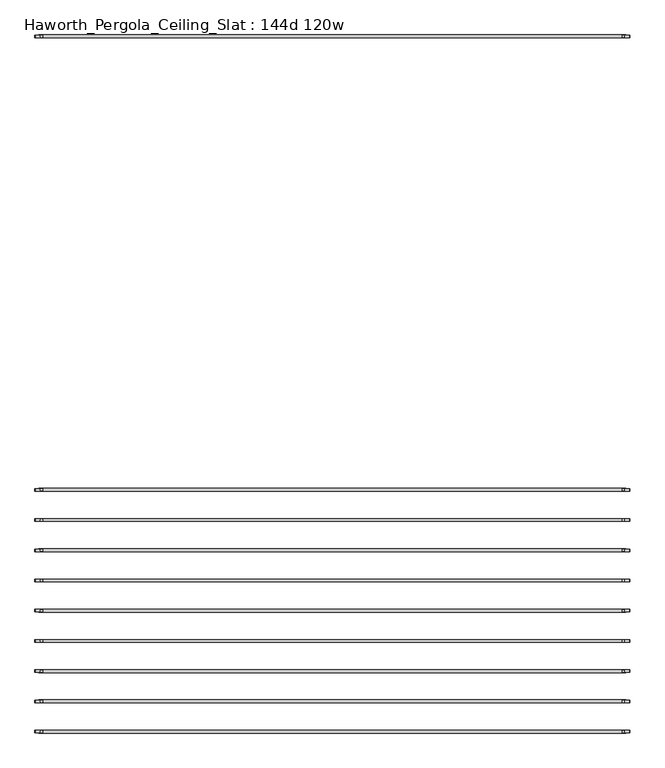
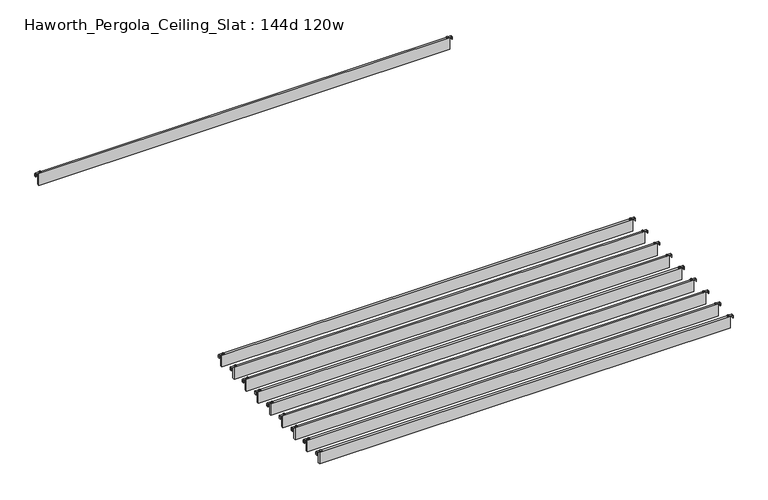
"""IFC4 building model written with IfcOpenShell, lengths in millimetres: furniture geometry, Haworth_Pergola_Ceiling_Slat : 144d 120w."""

from ifc_helpers import new_model, si_unit, point, frame, frame_2d, origin, place, context, project, spatial, polyline, circle_curve, trimmed, segment, composite_curve, outline, extrude, source, transform, mapped, element, save


def haworth_pergola_ceiling_slat_144d_120w_b1773a18(model_context):
    return source(origin(), model_context, "Body", "SweptSolid", [
        extrude(outline(composite_curve([segment(trimmed(circle_curve(frame_2d((1548.4, -1887.5678696)), 5.9838099), [point((1542.4161901, -1887.5678696))], [point((1554.3838099, -1887.5678696))], False, "CARTESIAN"), True, "CONTINUOUS"), segment(trimmed(circle_curve(frame_2d((1548.4, -1887.5678696)), 5.9838099), [point((1554.3838099, -1887.5678696))], [point((1542.4161901, -1887.5678696))], False, "CARTESIAN"), True, "CONTINUOUS")], self_intersect=False)), frame((0.0, 0.0, 2440.9329992), z_axis=(0.0, 0.0, 1.0), x_axis=(1.0, 0.0, 0.0)), (0.0, 0.0, 1.0), 3.4400008),
        extrude(outline(composite_curve([segment(trimmed(circle_curve(frame_2d((-1472.2, -1887.5678696)), 5.9838099), [point((-1466.2161901, -1887.5678696))], [point((-1478.1838099, -1887.5678696))], False, "CARTESIAN"), True, "CONTINUOUS"), segment(trimmed(circle_curve(frame_2d((-1472.2, -1887.5678696)), 5.9838099), [point((-1478.1838099, -1887.5678696))], [point((-1466.2161901, -1887.5678696))], False, "CARTESIAN"), True, "CONTINUOUS")], self_intersect=False)), frame((0.0, 0.0, 2440.9329992), z_axis=(0.0, 0.0, 1.0), x_axis=(1.0, 0.0, 0.0)), (0.0, 0.0, 1.0), 3.4400008),
        extrude(outline(composite_curve([segment(polyline([(2419.2231711, 1582.56), (2437.2499992, 1582.56)]), True, "CONTINUOUS"), segment(trimmed(circle_curve(frame_2d((2437.2499992, 1578.877)), 3.683), [point((2437.2499992, 1582.56))], [point((2440.9329992, 1578.877))], False, "CARTESIAN"), True, "CONTINUOUS"), segment(polyline([(2440.9329992, 1578.877), (2440.9329992, 1541.9), (2438.2729997, 1541.9), (2438.2729997, 1578.8905568)]), True, "CONTINUOUS"), segment(trimmed(circle_curve(frame_2d((2437.2635571, 1578.8905568)), 1.0094425), [point((2438.2729997, 1578.8905568))], [point((2437.2635571, 1579.8999993))], True, "CARTESIAN"), True, "CONTINUOUS"), segment(polyline([(2437.2635571, 1579.8999993), (2419.2231711, 1579.8999993), (2419.2231711, 1582.56)]), True, "CONTINUOUS")], self_intersect=False)), frame((0.0, -1894.0608699, 0.0), z_axis=(0.0, 1.0, 0.0), x_axis=(0.0, 0.0, 1.0)), (0.0, 0.0, 1.0), 13.0),
        extrude(outline(composite_curve([segment(polyline([(2419.2231711, -1506.36), (2419.2231711, -1503.6999993), (2437.2635571, -1503.6999993)]), True, "CONTINUOUS"), segment(trimmed(circle_curve(frame_2d((2437.2635571, -1502.6905568)), 1.0094425), [point((2437.2635571, -1503.6999993))], [point((2438.2729997, -1502.6905568))], True, "CARTESIAN"), True, "CONTINUOUS"), segment(polyline([(2438.2729997, -1502.6905568), (2438.2729997, -1465.7), (2440.9329992, -1465.7), (2440.9329992, -1502.677)]), True, "CONTINUOUS"), segment(trimmed(circle_curve(frame_2d((2437.2499992, -1502.677)), 3.683), [point((2440.9329992, -1502.677))], [point((2437.2499992, -1506.36))], False, "CARTESIAN"), True, "CONTINUOUS"), segment(polyline([(2437.2499992, -1506.36), (2419.2231711, -1506.36)]), True, "CONTINUOUS")], self_intersect=False)), frame((0.0, -1894.0608699, 0.0), z_axis=(0.0, 1.0, 0.0), x_axis=(0.0, 0.0, 1.0)), (0.0, 0.0, 1.0), 13.0),
        extrude(outline(polyline([(-1485.9, -1895.0608696), (-1485.9, -1880.0748696), (1562.1, -1880.0748696), (1562.1, -1895.0608696), (-1485.9, -1895.0608696)])), frame((0.0, 0.0, 2346.198), z_axis=(0.0, 0.0, 1.0), x_axis=(1.0, 0.0, 0.0)), (0.0, 0.0, 1.0), 92.202),
        extrude(outline(composite_curve([segment(trimmed(circle_curve(frame_2d((1548.4, -2044.3852609)), 5.9838099), [point((1542.4161901, -2044.3852609))], [point((1554.3838099, -2044.3852609))], False, "CARTESIAN"), True, "CONTINUOUS"), segment(trimmed(circle_curve(frame_2d((1548.4, -2044.3852609)), 5.9838099), [point((1554.3838099, -2044.3852609))], [point((1542.4161901, -2044.3852609))], False, "CARTESIAN"), True, "CONTINUOUS")], self_intersect=False)), frame((0.0, 0.0, 2440.9329992), z_axis=(0.0, 0.0, 1.0), x_axis=(1.0, 0.0, 0.0)), (0.0, 0.0, 1.0), 3.4400008),
        extrude(outline(composite_curve([segment(trimmed(circle_curve(frame_2d((-1472.2, -2044.3852609)), 5.9838099), [point((-1466.2161901, -2044.3852609))], [point((-1478.1838099, -2044.3852609))], False, "CARTESIAN"), True, "CONTINUOUS"), segment(trimmed(circle_curve(frame_2d((-1472.2, -2044.3852609)), 5.9838099), [point((-1478.1838099, -2044.3852609))], [point((-1466.2161901, -2044.3852609))], False, "CARTESIAN"), True, "CONTINUOUS")], self_intersect=False)), frame((0.0, 0.0, 2440.9329992), z_axis=(0.0, 0.0, 1.0), x_axis=(1.0, 0.0, 0.0)), (0.0, 0.0, 1.0), 3.4400008),
        extrude(outline(composite_curve([segment(polyline([(2419.2231711, 1582.56), (2437.2499992, 1582.56)]), True, "CONTINUOUS"), segment(trimmed(circle_curve(frame_2d((2437.2499992, 1578.877)), 3.683), [point((2437.2499992, 1582.56))], [point((2440.9329992, 1578.877))], False, "CARTESIAN"), True, "CONTINUOUS"), segment(polyline([(2440.9329992, 1578.877), (2440.9329992, 1541.9), (2438.2729997, 1541.9), (2438.2729997, 1578.8905568)]), True, "CONTINUOUS"), segment(trimmed(circle_curve(frame_2d((2437.2635571, 1578.8905568)), 1.0094425), [point((2438.2729997, 1578.8905568))], [point((2437.2635571, 1579.8999993))], True, "CARTESIAN"), True, "CONTINUOUS"), segment(polyline([(2437.2635571, 1579.8999993), (2419.2231711, 1579.8999993), (2419.2231711, 1582.56)]), True, "CONTINUOUS")], self_intersect=False)), frame((0.0, -2050.8782612, 0.0), z_axis=(0.0, 1.0, 0.0), x_axis=(0.0, 0.0, 1.0)), (0.0, 0.0, 1.0), 13.0),
        extrude(outline(composite_curve([segment(polyline([(2419.2231711, -1506.36), (2419.2231711, -1503.6999993), (2437.2635571, -1503.6999993)]), True, "CONTINUOUS"), segment(trimmed(circle_curve(frame_2d((2437.2635571, -1502.6905568)), 1.0094425), [point((2437.2635571, -1503.6999993))], [point((2438.2729997, -1502.6905568))], True, "CARTESIAN"), True, "CONTINUOUS"), segment(polyline([(2438.2729997, -1502.6905568), (2438.2729997, -1465.7), (2440.9329992, -1465.7), (2440.9329992, -1502.677)]), True, "CONTINUOUS"), segment(trimmed(circle_curve(frame_2d((2437.2499992, -1502.677)), 3.683), [point((2440.9329992, -1502.677))], [point((2437.2499992, -1506.36))], False, "CARTESIAN"), True, "CONTINUOUS"), segment(polyline([(2437.2499992, -1506.36), (2419.2231711, -1506.36)]), True, "CONTINUOUS")], self_intersect=False)), frame((0.0, -2050.8782612, 0.0), z_axis=(0.0, 1.0, 0.0), x_axis=(0.0, 0.0, 1.0)), (0.0, 0.0, 1.0), 13.0),
        extrude(outline(polyline([(-1485.9, -2051.8782609), (-1485.9, -2036.8922609), (1562.1, -2036.8922609), (1562.1, -2051.8782609), (-1485.9, -2051.8782609)])), frame((0.0, 0.0, 2346.198), z_axis=(0.0, 0.0, 1.0), x_axis=(1.0, 0.0, 0.0)), (0.0, 0.0, 1.0), 92.202),
        extrude(outline(composite_curve([segment(trimmed(circle_curve(frame_2d((1548.4, -2201.2026522)), 5.9838099), [point((1542.4161901, -2201.2026522))], [point((1554.3838099, -2201.2026522))], False, "CARTESIAN"), True, "CONTINUOUS"), segment(trimmed(circle_curve(frame_2d((1548.4, -2201.2026522)), 5.9838099), [point((1554.3838099, -2201.2026522))], [point((1542.4161901, -2201.2026522))], False, "CARTESIAN"), True, "CONTINUOUS")], self_intersect=False)), frame((0.0, 0.0, 2440.9329992), z_axis=(0.0, 0.0, 1.0), x_axis=(1.0, 0.0, 0.0)), (0.0, 0.0, 1.0), 3.4400008),
        extrude(outline(composite_curve([segment(trimmed(circle_curve(frame_2d((-1472.2, -2201.2026522)), 5.9838099), [point((-1466.2161901, -2201.2026522))], [point((-1478.1838099, -2201.2026522))], False, "CARTESIAN"), True, "CONTINUOUS"), segment(trimmed(circle_curve(frame_2d((-1472.2, -2201.2026522)), 5.9838099), [point((-1478.1838099, -2201.2026522))], [point((-1466.2161901, -2201.2026522))], False, "CARTESIAN"), True, "CONTINUOUS")], self_intersect=False)), frame((0.0, 0.0, 2440.9329992), z_axis=(0.0, 0.0, 1.0), x_axis=(1.0, 0.0, 0.0)), (0.0, 0.0, 1.0), 3.4400008),
        extrude(outline(composite_curve([segment(polyline([(2419.2231711, 1582.56), (2437.2499992, 1582.56)]), True, "CONTINUOUS"), segment(trimmed(circle_curve(frame_2d((2437.2499992, 1578.877)), 3.683), [point((2437.2499992, 1582.56))], [point((2440.9329992, 1578.877))], False, "CARTESIAN"), True, "CONTINUOUS"), segment(polyline([(2440.9329992, 1578.877), (2440.9329992, 1541.9), (2438.2729997, 1541.9), (2438.2729997, 1578.8905568)]), True, "CONTINUOUS"), segment(trimmed(circle_curve(frame_2d((2437.2635571, 1578.8905568)), 1.0094425), [point((2438.2729997, 1578.8905568))], [point((2437.2635571, 1579.8999993))], True, "CARTESIAN"), True, "CONTINUOUS"), segment(polyline([(2437.2635571, 1579.8999993), (2419.2231711, 1579.8999993), (2419.2231711, 1582.56)]), True, "CONTINUOUS")], self_intersect=False)), frame((0.0, -2207.6956525, 0.0), z_axis=(0.0, 1.0, 0.0), x_axis=(0.0, 0.0, 1.0)), (0.0, 0.0, 1.0), 13.0),
        extrude(outline(composite_curve([segment(polyline([(2419.2231711, -1506.36), (2419.2231711, -1503.6999993), (2437.2635571, -1503.6999993)]), True, "CONTINUOUS"), segment(trimmed(circle_curve(frame_2d((2437.2635571, -1502.6905568)), 1.0094425), [point((2437.2635571, -1503.6999993))], [point((2438.2729997, -1502.6905568))], True, "CARTESIAN"), True, "CONTINUOUS"), segment(polyline([(2438.2729997, -1502.6905568), (2438.2729997, -1465.7), (2440.9329992, -1465.7), (2440.9329992, -1502.677)]), True, "CONTINUOUS"), segment(trimmed(circle_curve(frame_2d((2437.2499992, -1502.677)), 3.683), [point((2440.9329992, -1502.677))], [point((2437.2499992, -1506.36))], False, "CARTESIAN"), True, "CONTINUOUS"), segment(polyline([(2437.2499992, -1506.36), (2419.2231711, -1506.36)]), True, "CONTINUOUS")], self_intersect=False)), frame((0.0, -2207.6956525, 0.0), z_axis=(0.0, 1.0, 0.0), x_axis=(0.0, 0.0, 1.0)), (0.0, 0.0, 1.0), 13.0),
        extrude(outline(polyline([(-1485.9, -2208.6956522), (-1485.9, -2193.7096522), (1562.1, -2193.7096522), (1562.1, -2208.6956522), (-1485.9, -2208.6956522)])), frame((0.0, 0.0, 2346.198), z_axis=(0.0, 0.0, 1.0), x_axis=(1.0, 0.0, 0.0)), (0.0, 0.0, 1.0), 92.202),
        extrude(outline(composite_curve([segment(trimmed(circle_curve(frame_2d((1548.4, -2358.0200435)), 5.9838099), [point((1542.4161901, -2358.0200435))], [point((1554.3838099, -2358.0200435))], False, "CARTESIAN"), True, "CONTINUOUS"), segment(trimmed(circle_curve(frame_2d((1548.4, -2358.0200435)), 5.9838099), [point((1554.3838099, -2358.0200435))], [point((1542.4161901, -2358.0200435))], False, "CARTESIAN"), True, "CONTINUOUS")], self_intersect=False)), frame((0.0, 0.0, 2440.9329992), z_axis=(0.0, 0.0, 1.0), x_axis=(1.0, 0.0, 0.0)), (0.0, 0.0, 1.0), 3.4400008),
        extrude(outline(composite_curve([segment(trimmed(circle_curve(frame_2d((-1472.2, -2358.0200435)), 5.9838099), [point((-1466.2161901, -2358.0200435))], [point((-1478.1838099, -2358.0200435))], False, "CARTESIAN"), True, "CONTINUOUS"), segment(trimmed(circle_curve(frame_2d((-1472.2, -2358.0200435)), 5.9838099), [point((-1478.1838099, -2358.0200435))], [point((-1466.2161901, -2358.0200435))], False, "CARTESIAN"), True, "CONTINUOUS")], self_intersect=False)), frame((0.0, 0.0, 2440.9329992), z_axis=(0.0, 0.0, 1.0), x_axis=(1.0, 0.0, 0.0)), (0.0, 0.0, 1.0), 3.4400008),
        extrude(outline(composite_curve([segment(polyline([(2419.2231711, 1582.56), (2437.2499992, 1582.56)]), True, "CONTINUOUS"), segment(trimmed(circle_curve(frame_2d((2437.2499992, 1578.877)), 3.683), [point((2437.2499992, 1582.56))], [point((2440.9329992, 1578.877))], False, "CARTESIAN"), True, "CONTINUOUS"), segment(polyline([(2440.9329992, 1578.877), (2440.9329992, 1541.9), (2438.2729997, 1541.9), (2438.2729997, 1578.8905568)]), True, "CONTINUOUS"), segment(trimmed(circle_curve(frame_2d((2437.2635571, 1578.8905568)), 1.0094425), [point((2438.2729997, 1578.8905568))], [point((2437.2635571, 1579.8999993))], True, "CARTESIAN"), True, "CONTINUOUS"), segment(polyline([(2437.2635571, 1579.8999993), (2419.2231711, 1579.8999993), (2419.2231711, 1582.56)]), True, "CONTINUOUS")], self_intersect=False)), frame((0.0, -2364.5130438, 0.0), z_axis=(0.0, 1.0, 0.0), x_axis=(0.0, 0.0, 1.0)), (0.0, 0.0, 1.0), 13.0),
        extrude(outline(composite_curve([segment(polyline([(2419.2231711, -1506.36), (2419.2231711, -1503.6999993), (2437.2635571, -1503.6999993)]), True, "CONTINUOUS"), segment(trimmed(circle_curve(frame_2d((2437.2635571, -1502.6905568)), 1.0094425), [point((2437.2635571, -1503.6999993))], [point((2438.2729997, -1502.6905568))], True, "CARTESIAN"), True, "CONTINUOUS"), segment(polyline([(2438.2729997, -1502.6905568), (2438.2729997, -1465.7), (2440.9329992, -1465.7), (2440.9329992, -1502.677)]), True, "CONTINUOUS"), segment(trimmed(circle_curve(frame_2d((2437.2499992, -1502.677)), 3.683), [point((2440.9329992, -1502.677))], [point((2437.2499992, -1506.36))], False, "CARTESIAN"), True, "CONTINUOUS"), segment(polyline([(2437.2499992, -1506.36), (2419.2231711, -1506.36)]), True, "CONTINUOUS")], self_intersect=False)), frame((0.0, -2364.5130438, 0.0), z_axis=(0.0, 1.0, 0.0), x_axis=(0.0, 0.0, 1.0)), (0.0, 0.0, 1.0), 13.0),
        extrude(outline(polyline([(-1485.9, -2365.5130435), (-1485.9, -2350.5270435), (1562.1, -2350.5270435), (1562.1, -2365.5130435), (-1485.9, -2365.5130435)])), frame((0.0, 0.0, 2346.198), z_axis=(0.0, 0.0, 1.0), x_axis=(1.0, 0.0, 0.0)), (0.0, 0.0, 1.0), 92.202),
        extrude(outline(composite_curve([segment(trimmed(circle_curve(frame_2d((1548.4, -2514.8374348)), 5.9838099), [point((1542.4161901, -2514.8374348))], [point((1554.3838099, -2514.8374348))], False, "CARTESIAN"), True, "CONTINUOUS"), segment(trimmed(circle_curve(frame_2d((1548.4, -2514.8374348)), 5.9838099), [point((1554.3838099, -2514.8374348))], [point((1542.4161901, -2514.8374348))], False, "CARTESIAN"), True, "CONTINUOUS")], self_intersect=False)), frame((0.0, 0.0, 2440.9329992), z_axis=(0.0, 0.0, 1.0), x_axis=(1.0, 0.0, 0.0)), (0.0, 0.0, 1.0), 3.4400008),
        extrude(outline(composite_curve([segment(trimmed(circle_curve(frame_2d((-1472.2, -2514.8374348)), 5.9838099), [point((-1466.2161901, -2514.8374348))], [point((-1478.1838099, -2514.8374348))], False, "CARTESIAN"), True, "CONTINUOUS"), segment(trimmed(circle_curve(frame_2d((-1472.2, -2514.8374348)), 5.9838099), [point((-1478.1838099, -2514.8374348))], [point((-1466.2161901, -2514.8374348))], False, "CARTESIAN"), True, "CONTINUOUS")], self_intersect=False)), frame((0.0, 0.0, 2440.9329992), z_axis=(0.0, 0.0, 1.0), x_axis=(1.0, 0.0, 0.0)), (0.0, 0.0, 1.0), 3.4400008),
        extrude(outline(composite_curve([segment(polyline([(2419.2231711, 1582.56), (2437.2499992, 1582.56)]), True, "CONTINUOUS"), segment(trimmed(circle_curve(frame_2d((2437.2499992, 1578.877)), 3.683), [point((2437.2499992, 1582.56))], [point((2440.9329992, 1578.877))], False, "CARTESIAN"), True, "CONTINUOUS"), segment(polyline([(2440.9329992, 1578.877), (2440.9329992, 1541.9), (2438.2729997, 1541.9), (2438.2729997, 1578.8905568)]), True, "CONTINUOUS"), segment(trimmed(circle_curve(frame_2d((2437.2635571, 1578.8905568)), 1.0094425), [point((2438.2729997, 1578.8905568))], [point((2437.2635571, 1579.8999993))], True, "CARTESIAN"), True, "CONTINUOUS"), segment(polyline([(2437.2635571, 1579.8999993), (2419.2231711, 1579.8999993), (2419.2231711, 1582.56)]), True, "CONTINUOUS")], self_intersect=False)), frame((0.0, -2521.3304351, 0.0), z_axis=(0.0, 1.0, 0.0), x_axis=(0.0, 0.0, 1.0)), (0.0, 0.0, 1.0), 13.0),
        extrude(outline(composite_curve([segment(polyline([(2419.2231711, -1506.36), (2419.2231711, -1503.6999993), (2437.2635571, -1503.6999993)]), True, "CONTINUOUS"), segment(trimmed(circle_curve(frame_2d((2437.2635571, -1502.6905568)), 1.0094425), [point((2437.2635571, -1503.6999993))], [point((2438.2729997, -1502.6905568))], True, "CARTESIAN"), True, "CONTINUOUS"), segment(polyline([(2438.2729997, -1502.6905568), (2438.2729997, -1465.7), (2440.9329992, -1465.7), (2440.9329992, -1502.677)]), True, "CONTINUOUS"), segment(trimmed(circle_curve(frame_2d((2437.2499992, -1502.677)), 3.683), [point((2440.9329992, -1502.677))], [point((2437.2499992, -1506.36))], False, "CARTESIAN"), True, "CONTINUOUS"), segment(polyline([(2437.2499992, -1506.36), (2419.2231711, -1506.36)]), True, "CONTINUOUS")], self_intersect=False)), frame((0.0, -2521.3304351, 0.0), z_axis=(0.0, 1.0, 0.0), x_axis=(0.0, 0.0, 1.0)), (0.0, 0.0, 1.0), 13.0),
        extrude(outline(polyline([(-1485.9, -2522.3304348), (-1485.9, -2507.3444348), (1562.1, -2507.3444348), (1562.1, -2522.3304348), (-1485.9, -2522.3304348)])), frame((0.0, 0.0, 2346.198), z_axis=(0.0, 0.0, 1.0), x_axis=(1.0, 0.0, 0.0)), (0.0, 0.0, 1.0), 92.202),
        extrude(outline(composite_curve([segment(trimmed(circle_curve(frame_2d((1548.4, -2671.6548261)), 5.9838099), [point((1542.4161901, -2671.6548261))], [point((1554.3838099, -2671.6548261))], False, "CARTESIAN"), True, "CONTINUOUS"), segment(trimmed(circle_curve(frame_2d((1548.4, -2671.6548261)), 5.9838099), [point((1554.3838099, -2671.6548261))], [point((1542.4161901, -2671.6548261))], False, "CARTESIAN"), True, "CONTINUOUS")], self_intersect=False)), frame((0.0, 0.0, 2440.9329992), z_axis=(0.0, 0.0, 1.0), x_axis=(1.0, 0.0, 0.0)), (0.0, 0.0, 1.0), 3.4400008),
        extrude(outline(composite_curve([segment(trimmed(circle_curve(frame_2d((-1472.2, -2671.6548261)), 5.9838099), [point((-1466.2161901, -2671.6548261))], [point((-1478.1838099, -2671.6548261))], False, "CARTESIAN"), True, "CONTINUOUS"), segment(trimmed(circle_curve(frame_2d((-1472.2, -2671.6548261)), 5.9838099), [point((-1478.1838099, -2671.6548261))], [point((-1466.2161901, -2671.6548261))], False, "CARTESIAN"), True, "CONTINUOUS")], self_intersect=False)), frame((0.0, 0.0, 2440.9329992), z_axis=(0.0, 0.0, 1.0), x_axis=(1.0, 0.0, 0.0)), (0.0, 0.0, 1.0), 3.4400008),
        extrude(outline(composite_curve([segment(polyline([(2419.2231711, 1582.56), (2437.2499992, 1582.56)]), True, "CONTINUOUS"), segment(trimmed(circle_curve(frame_2d((2437.2499992, 1578.877)), 3.683), [point((2437.2499992, 1582.56))], [point((2440.9329992, 1578.877))], False, "CARTESIAN"), True, "CONTINUOUS"), segment(polyline([(2440.9329992, 1578.877), (2440.9329992, 1541.9), (2438.2729997, 1541.9), (2438.2729997, 1578.8905568)]), True, "CONTINUOUS"), segment(trimmed(circle_curve(frame_2d((2437.2635571, 1578.8905568)), 1.0094425), [point((2438.2729997, 1578.8905568))], [point((2437.2635571, 1579.8999993))], True, "CARTESIAN"), True, "CONTINUOUS"), segment(polyline([(2437.2635571, 1579.8999993), (2419.2231711, 1579.8999993), (2419.2231711, 1582.56)]), True, "CONTINUOUS")], self_intersect=False)), frame((0.0, -2678.1478264, 0.0), z_axis=(0.0, 1.0, 0.0), x_axis=(0.0, 0.0, 1.0)), (0.0, 0.0, 1.0), 13.0),
        extrude(outline(composite_curve([segment(polyline([(2419.2231711, -1506.36), (2419.2231711, -1503.6999993), (2437.2635571, -1503.6999993)]), True, "CONTINUOUS"), segment(trimmed(circle_curve(frame_2d((2437.2635571, -1502.6905568)), 1.0094425), [point((2437.2635571, -1503.6999993))], [point((2438.2729997, -1502.6905568))], True, "CARTESIAN"), True, "CONTINUOUS"), segment(polyline([(2438.2729997, -1502.6905568), (2438.2729997, -1465.7), (2440.9329992, -1465.7), (2440.9329992, -1502.677)]), True, "CONTINUOUS"), segment(trimmed(circle_curve(frame_2d((2437.2499992, -1502.677)), 3.683), [point((2440.9329992, -1502.677))], [point((2437.2499992, -1506.36))], False, "CARTESIAN"), True, "CONTINUOUS"), segment(polyline([(2437.2499992, -1506.36), (2419.2231711, -1506.36)]), True, "CONTINUOUS")], self_intersect=False)), frame((0.0, -2678.1478264, 0.0), z_axis=(0.0, 1.0, 0.0), x_axis=(0.0, 0.0, 1.0)), (0.0, 0.0, 1.0), 13.0),
        extrude(outline(polyline([(-1485.9, -2679.1478261), (-1485.9, -2664.1618261), (1562.1, -2664.1618261), (1562.1, -2679.1478261), (-1485.9, -2679.1478261)])), frame((0.0, 0.0, 2346.198), z_axis=(0.0, 0.0, 1.0), x_axis=(1.0, 0.0, 0.0)), (0.0, 0.0, 1.0), 92.202),
        extrude(outline(composite_curve([segment(trimmed(circle_curve(frame_2d((1548.4, -2828.4722174)), 5.9838099), [point((1542.4161901, -2828.4722174))], [point((1554.3838099, -2828.4722174))], False, "CARTESIAN"), True, "CONTINUOUS"), segment(trimmed(circle_curve(frame_2d((1548.4, -2828.4722174)), 5.9838099), [point((1554.3838099, -2828.4722174))], [point((1542.4161901, -2828.4722174))], False, "CARTESIAN"), True, "CONTINUOUS")], self_intersect=False)), frame((0.0, 0.0, 2440.9329992), z_axis=(0.0, 0.0, 1.0), x_axis=(1.0, 0.0, 0.0)), (0.0, 0.0, 1.0), 3.4400008),
        extrude(outline(composite_curve([segment(trimmed(circle_curve(frame_2d((-1472.2, -2828.4722174)), 5.9838099), [point((-1466.2161901, -2828.4722174))], [point((-1478.1838099, -2828.4722174))], False, "CARTESIAN"), True, "CONTINUOUS"), segment(trimmed(circle_curve(frame_2d((-1472.2, -2828.4722174)), 5.9838099), [point((-1478.1838099, -2828.4722174))], [point((-1466.2161901, -2828.4722174))], False, "CARTESIAN"), True, "CONTINUOUS")], self_intersect=False)), frame((0.0, 0.0, 2440.9329992), z_axis=(0.0, 0.0, 1.0), x_axis=(1.0, 0.0, 0.0)), (0.0, 0.0, 1.0), 3.4400008),
        extrude(outline(composite_curve([segment(polyline([(2419.2231711, 1582.56), (2437.2499992, 1582.56)]), True, "CONTINUOUS"), segment(trimmed(circle_curve(frame_2d((2437.2499992, 1578.877)), 3.683), [point((2437.2499992, 1582.56))], [point((2440.9329992, 1578.877))], False, "CARTESIAN"), True, "CONTINUOUS"), segment(polyline([(2440.9329992, 1578.877), (2440.9329992, 1541.9), (2438.2729997, 1541.9), (2438.2729997, 1578.8905568)]), True, "CONTINUOUS"), segment(trimmed(circle_curve(frame_2d((2437.2635571, 1578.8905568)), 1.0094425), [point((2438.2729997, 1578.8905568))], [point((2437.2635571, 1579.8999993))], True, "CARTESIAN"), True, "CONTINUOUS"), segment(polyline([(2437.2635571, 1579.8999993), (2419.2231711, 1579.8999993), (2419.2231711, 1582.56)]), True, "CONTINUOUS")], self_intersect=False)), frame((0.0, -2834.9652177, 0.0), z_axis=(0.0, 1.0, 0.0), x_axis=(0.0, 0.0, 1.0)), (0.0, 0.0, 1.0), 13.0),
        extrude(outline(composite_curve([segment(polyline([(2419.2231711, -1506.36), (2419.2231711, -1503.6999993), (2437.2635571, -1503.6999993)]), True, "CONTINUOUS"), segment(trimmed(circle_curve(frame_2d((2437.2635571, -1502.6905568)), 1.0094425), [point((2437.2635571, -1503.6999993))], [point((2438.2729997, -1502.6905568))], True, "CARTESIAN"), True, "CONTINUOUS"), segment(polyline([(2438.2729997, -1502.6905568), (2438.2729997, -1465.7), (2440.9329992, -1465.7), (2440.9329992, -1502.677)]), True, "CONTINUOUS"), segment(trimmed(circle_curve(frame_2d((2437.2499992, -1502.677)), 3.683), [point((2440.9329992, -1502.677))], [point((2437.2499992, -1506.36))], False, "CARTESIAN"), True, "CONTINUOUS"), segment(polyline([(2437.2499992, -1506.36), (2419.2231711, -1506.36)]), True, "CONTINUOUS")], self_intersect=False)), frame((0.0, -2834.9652177, 0.0), z_axis=(0.0, 1.0, 0.0), x_axis=(0.0, 0.0, 1.0)), (0.0, 0.0, 1.0), 13.0),
        extrude(outline(polyline([(-1485.9, -2835.9652174), (-1485.9, -2820.9792174), (1562.1, -2820.9792174), (1562.1, -2835.9652174), (-1485.9, -2835.9652174)])), frame((0.0, 0.0, 2346.198), z_axis=(0.0, 0.0, 1.0), x_axis=(1.0, 0.0, 0.0)), (0.0, 0.0, 1.0), 92.202),
        extrude(outline(composite_curve([segment(trimmed(circle_curve(frame_2d((1548.4, -2985.2896087)), 5.9838099), [point((1542.4161901, -2985.2896087))], [point((1554.3838099, -2985.2896087))], False, "CARTESIAN"), True, "CONTINUOUS"), segment(trimmed(circle_curve(frame_2d((1548.4, -2985.2896087)), 5.9838099), [point((1554.3838099, -2985.2896087))], [point((1542.4161901, -2985.2896087))], False, "CARTESIAN"), True, "CONTINUOUS")], self_intersect=False)), frame((0.0, 0.0, 2440.9329992), z_axis=(0.0, 0.0, 1.0), x_axis=(1.0, 0.0, 0.0)), (0.0, 0.0, 1.0), 3.4400008),
        extrude(outline(composite_curve([segment(trimmed(circle_curve(frame_2d((-1472.2, -2985.2896087)), 5.9838099), [point((-1466.2161901, -2985.2896087))], [point((-1478.1838099, -2985.2896087))], False, "CARTESIAN"), True, "CONTINUOUS"), segment(trimmed(circle_curve(frame_2d((-1472.2, -2985.2896087)), 5.9838099), [point((-1478.1838099, -2985.2896087))], [point((-1466.2161901, -2985.2896087))], False, "CARTESIAN"), True, "CONTINUOUS")], self_intersect=False)), frame((0.0, 0.0, 2440.9329992), z_axis=(0.0, 0.0, 1.0), x_axis=(1.0, 0.0, 0.0)), (0.0, 0.0, 1.0), 3.4400008),
        extrude(outline(composite_curve([segment(polyline([(2419.2231711, 1582.56), (2437.2499992, 1582.56)]), True, "CONTINUOUS"), segment(trimmed(circle_curve(frame_2d((2437.2499992, 1578.877)), 3.683), [point((2437.2499992, 1582.56))], [point((2440.9329992, 1578.877))], False, "CARTESIAN"), True, "CONTINUOUS"), segment(polyline([(2440.9329992, 1578.877), (2440.9329992, 1541.9), (2438.2729997, 1541.9), (2438.2729997, 1578.8905568)]), True, "CONTINUOUS"), segment(trimmed(circle_curve(frame_2d((2437.2635571, 1578.8905568)), 1.0094425), [point((2438.2729997, 1578.8905568))], [point((2437.2635571, 1579.8999993))], True, "CARTESIAN"), True, "CONTINUOUS"), segment(polyline([(2437.2635571, 1579.8999993), (2419.2231711, 1579.8999993), (2419.2231711, 1582.56)]), True, "CONTINUOUS")], self_intersect=False)), frame((0.0, -2991.782609, 0.0), z_axis=(0.0, 1.0, 0.0), x_axis=(0.0, 0.0, 1.0)), (0.0, 0.0, 1.0), 13.0),
        extrude(outline(composite_curve([segment(polyline([(2419.2231711, -1506.36), (2419.2231711, -1503.6999993), (2437.2635571, -1503.6999993)]), True, "CONTINUOUS"), segment(trimmed(circle_curve(frame_2d((2437.2635571, -1502.6905568)), 1.0094425), [point((2437.2635571, -1503.6999993))], [point((2438.2729997, -1502.6905568))], True, "CARTESIAN"), True, "CONTINUOUS"), segment(polyline([(2438.2729997, -1502.6905568), (2438.2729997, -1465.7), (2440.9329992, -1465.7), (2440.9329992, -1502.677)]), True, "CONTINUOUS"), segment(trimmed(circle_curve(frame_2d((2437.2499992, -1502.677)), 3.683), [point((2440.9329992, -1502.677))], [point((2437.2499992, -1506.36))], False, "CARTESIAN"), True, "CONTINUOUS"), segment(polyline([(2437.2499992, -1506.36), (2419.2231711, -1506.36)]), True, "CONTINUOUS")], self_intersect=False)), frame((0.0, -2991.782609, 0.0), z_axis=(0.0, 1.0, 0.0), x_axis=(0.0, 0.0, 1.0)), (0.0, 0.0, 1.0), 13.0),
        extrude(outline(polyline([(-1485.9, -2992.7826087), (-1485.9, -2977.7966087), (1562.1, -2977.7966087), (1562.1, -2992.7826087), (-1485.9, -2992.7826087)])), frame((0.0, 0.0, 2346.198), z_axis=(0.0, 0.0, 1.0), x_axis=(1.0, 0.0, 0.0)), (0.0, 0.0, 1.0), 92.202),
        extrude(outline(composite_curve([segment(trimmed(circle_curve(frame_2d((1548.4, 464.693)), 5.9838099), [point((1542.4161901, 464.693))], [point((1554.3838099, 464.693))], False, "CARTESIAN"), True, "CONTINUOUS"), segment(trimmed(circle_curve(frame_2d((1548.4, 464.693)), 5.9838099), [point((1554.3838099, 464.693))], [point((1542.4161901, 464.693))], False, "CARTESIAN"), True, "CONTINUOUS")], self_intersect=False)), frame((0.0, 0.0, 2440.9329992), z_axis=(0.0, 0.0, 1.0), x_axis=(1.0, 0.0, 0.0)), (0.0, 0.0, 1.0), 3.4400008),
        extrude(outline(composite_curve([segment(trimmed(circle_curve(frame_2d((-1472.2, 464.693)), 5.9838099), [point((-1466.2161901, 464.693))], [point((-1478.1838099, 464.693))], False, "CARTESIAN"), True, "CONTINUOUS"), segment(trimmed(circle_curve(frame_2d((-1472.2, 464.693)), 5.9838099), [point((-1478.1838099, 464.693))], [point((-1466.2161901, 464.693))], False, "CARTESIAN"), True, "CONTINUOUS")], self_intersect=False)), frame((0.0, 0.0, 2440.9329992), z_axis=(0.0, 0.0, 1.0), x_axis=(1.0, 0.0, 0.0)), (0.0, 0.0, 1.0), 3.4400008),
        extrude(outline(composite_curve([segment(polyline([(2419.2231711, 1582.56), (2437.2499992, 1582.56)]), True, "CONTINUOUS"), segment(trimmed(circle_curve(frame_2d((2437.2499992, 1578.877)), 3.683), [point((2437.2499992, 1582.56))], [point((2440.9329992, 1578.877))], False, "CARTESIAN"), True, "CONTINUOUS"), segment(polyline([(2440.9329992, 1578.877), (2440.9329992, 1541.9), (2438.2729997, 1541.9), (2438.2729997, 1578.8905568)]), True, "CONTINUOUS"), segment(trimmed(circle_curve(frame_2d((2437.2635571, 1578.8905568)), 1.0094425), [point((2438.2729997, 1578.8905568))], [point((2437.2635571, 1579.8999993))], True, "CARTESIAN"), True, "CONTINUOUS"), segment(polyline([(2437.2635571, 1579.8999993), (2419.2231711, 1579.8999993), (2419.2231711, 1582.56)]), True, "CONTINUOUS")], self_intersect=False)), frame((0.0, 458.1999997, 0.0), z_axis=(0.0, 1.0, 0.0), x_axis=(0.0, 0.0, 1.0)), (0.0, 0.0, 1.0), 13.0),
        extrude(outline(composite_curve([segment(polyline([(2419.2231711, -1506.36), (2419.2231711, -1503.6999993), (2437.2635571, -1503.6999993)]), True, "CONTINUOUS"), segment(trimmed(circle_curve(frame_2d((2437.2635571, -1502.6905568)), 1.0094425), [point((2437.2635571, -1503.6999993))], [point((2438.2729997, -1502.6905568))], True, "CARTESIAN"), True, "CONTINUOUS"), segment(polyline([(2438.2729997, -1502.6905568), (2438.2729997, -1465.7), (2440.9329992, -1465.7), (2440.9329992, -1502.677)]), True, "CONTINUOUS"), segment(trimmed(circle_curve(frame_2d((2437.2499992, -1502.677)), 3.683), [point((2440.9329992, -1502.677))], [point((2437.2499992, -1506.36))], False, "CARTESIAN"), True, "CONTINUOUS"), segment(polyline([(2437.2499992, -1506.36), (2419.2231711, -1506.36)]), True, "CONTINUOUS")], self_intersect=False)), frame((0.0, 458.1999997, 0.0), z_axis=(0.0, 1.0, 0.0), x_axis=(0.0, 0.0, 1.0)), (0.0, 0.0, 1.0), 13.0),
        extrude(outline(polyline([(-1485.9, 457.2), (-1485.9, 472.186), (1562.1, 472.186), (1562.1, 457.2), (-1485.9, 457.2)])), frame((0.0, 0.0, 2346.198), z_axis=(0.0, 0.0, 1.0), x_axis=(1.0, 0.0, 0.0)), (0.0, 0.0, 1.0), 92.202),
        extrude(outline(composite_curve([segment(trimmed(circle_curve(frame_2d((1548.4, -3142.107)), 5.9838099), [point((1542.4161901, -3142.107))], [point((1554.3838099, -3142.107))], False, "CARTESIAN"), True, "CONTINUOUS"), segment(trimmed(circle_curve(frame_2d((1548.4, -3142.107)), 5.9838099), [point((1554.3838099, -3142.107))], [point((1542.4161901, -3142.107))], False, "CARTESIAN"), True, "CONTINUOUS")], self_intersect=False)), frame((0.0, 0.0, 2440.9329992), z_axis=(0.0, 0.0, 1.0), x_axis=(1.0, 0.0, 0.0)), (0.0, 0.0, 1.0), 3.4400008),
        extrude(outline(composite_curve([segment(trimmed(circle_curve(frame_2d((-1472.2, -3142.107)), 5.9838099), [point((-1466.2161901, -3142.107))], [point((-1478.1838099, -3142.107))], False, "CARTESIAN"), True, "CONTINUOUS"), segment(trimmed(circle_curve(frame_2d((-1472.2, -3142.107)), 5.9838099), [point((-1478.1838099, -3142.107))], [point((-1466.2161901, -3142.107))], False, "CARTESIAN"), True, "CONTINUOUS")], self_intersect=False)), frame((0.0, 0.0, 2440.9329992), z_axis=(0.0, 0.0, 1.0), x_axis=(1.0, 0.0, 0.0)), (0.0, 0.0, 1.0), 3.4400008),
        extrude(outline(composite_curve([segment(polyline([(2419.2231711, 1582.56), (2437.2499992, 1582.56)]), True, "CONTINUOUS"), segment(trimmed(circle_curve(frame_2d((2437.2499992, 1578.877)), 3.683), [point((2437.2499992, 1582.56))], [point((2440.9329992, 1578.877))], False, "CARTESIAN"), True, "CONTINUOUS"), segment(polyline([(2440.9329992, 1578.877), (2440.9329992, 1541.9), (2438.2729997, 1541.9), (2438.2729997, 1578.8905568)]), True, "CONTINUOUS"), segment(trimmed(circle_curve(frame_2d((2437.2635571, 1578.8905568)), 1.0094425), [point((2438.2729997, 1578.8905568))], [point((2437.2635571, 1579.8999993))], True, "CARTESIAN"), True, "CONTINUOUS"), segment(polyline([(2437.2635571, 1579.8999993), (2419.2231711, 1579.8999993), (2419.2231711, 1582.56)]), True, "CONTINUOUS")], self_intersect=False)), frame((0.0, -3148.6000003, 0.0), z_axis=(0.0, 1.0, 0.0), x_axis=(0.0, 0.0, 1.0)), (0.0, 0.0, 1.0), 13.0),
        extrude(outline(composite_curve([segment(polyline([(2419.2231711, -1506.36), (2419.2231711, -1503.6999993), (2437.2635571, -1503.6999993)]), True, "CONTINUOUS"), segment(trimmed(circle_curve(frame_2d((2437.2635571, -1502.6905568)), 1.0094425), [point((2437.2635571, -1503.6999993))], [point((2438.2729997, -1502.6905568))], True, "CARTESIAN"), True, "CONTINUOUS"), segment(polyline([(2438.2729997, -1502.6905568), (2438.2729997, -1465.7), (2440.9329992, -1465.7), (2440.9329992, -1502.677)]), True, "CONTINUOUS"), segment(trimmed(circle_curve(frame_2d((2437.2499992, -1502.677)), 3.683), [point((2440.9329992, -1502.677))], [point((2437.2499992, -1506.36))], False, "CARTESIAN"), True, "CONTINUOUS"), segment(polyline([(2437.2499992, -1506.36), (2419.2231711, -1506.36)]), True, "CONTINUOUS")], self_intersect=False)), frame((0.0, -3148.6000003, 0.0), z_axis=(0.0, 1.0, 0.0), x_axis=(0.0, 0.0, 1.0)), (0.0, 0.0, 1.0), 13.0),
        extrude(outline(polyline([(-1485.9, -3149.6), (-1485.9, -3134.614), (1562.1, -3134.614), (1562.1, -3149.6), (-1485.9, -3149.6)])), frame((0.0, 0.0, 2346.198), z_axis=(0.0, 0.0, 1.0), x_axis=(1.0, 0.0, 0.0)), (0.0, 0.0, 1.0), 92.202),
    ])


if __name__ == "__main__":
    model = new_model("IFC4")
    model_context = context("Model", 3, world=origin())
    ifc_project = project(units=[si_unit("LENGTHUNIT", "METRE", prefix="MILLI")], contexts=[model_context])
    site = spatial("IfcSite", under=ifc_project)
    building = spatial("IfcBuilding", under=site)
    placement = place(None, origin())
    haworth_pergola_ceiling_slat_144d_120w_shape = haworth_pergola_ceiling_slat_144d_120w_b1773a18(model_context)
    element("IfcFurniture", 1, ObjectType="Haworth_Pergola_Ceiling_Slat : 144d 120w", at=placement, inside=building, context=model_context, shape_type="MappedRepresentation", body=[
        mapped(haworth_pergola_ceiling_slat_144d_120w_shape, transform((0.0, 0.0, 0.0), x_axis=(1.0, 0.0, 0.0), y_axis=(0.0, 1.0, 0.0), z_axis=(0.0, 0.0, 1.0))),
    ])
    save(model, "model.ifc")
